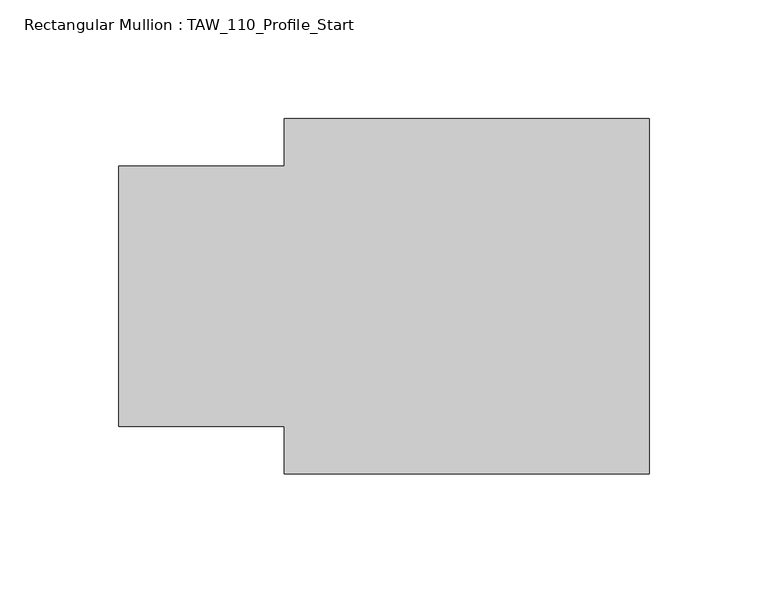
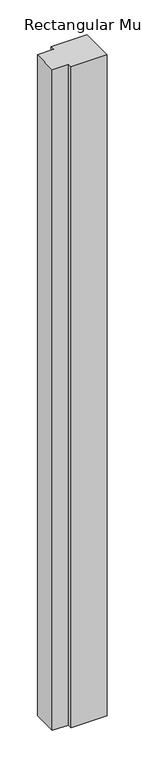
"""IFC4 building model written with IfcOpenShell, lengths in millimetres: member geometry, Rectangular Mullion : TAW_110_Profile_Start."""

from ifc_helpers import new_model, si_unit, frame, origin, place, context, project, spatial, polyline, outline, extrude, source, transform, mapped, element, save


def rectangular_mullion_taw_110_profile_start_530c5407(model_context):
    return source(origin(), model_context, "Body", "SweptSolid", [
        extrude(outline(polyline([(0.0, 75.0), (0.0, -75.0), (-154.0, -75.0), (-154.0, -55.0), (-223.8, -55.0), (-223.8, 55.0), (-154.0, 55.0), (-154.0, 75.0), (0.0, 75.0)])), frame((0.0, 0.0, -3000.0), z_axis=(0.0, 0.0, 1.0), x_axis=(1.0, 0.0, 0.0)), (0.0, 0.0, 1.0), 3000.0),
    ])


if __name__ == "__main__":
    model = new_model("IFC4")
    model_context = context("Model", 3, world=origin())
    ifc_project = project(units=[si_unit("LENGTHUNIT", "METRE", prefix="MILLI")], contexts=[model_context])
    site = spatial("IfcSite", under=ifc_project)
    building = spatial("IfcBuilding", under=site)
    placement = place(None, origin())
    rectangular_mullion_taw_110_profile_start_shape = rectangular_mullion_taw_110_profile_start_530c5407(model_context)
    element("IfcMember", 1, ObjectType="Rectangular Mullion : TAW_110_Profile_Start", at=placement, inside=building, context=model_context, shape_type="MappedRepresentation", body=[
        mapped(rectangular_mullion_taw_110_profile_start_shape, transform((0.0, 0.0, 0.0), x_axis=(1.0, 0.0, 0.0), y_axis=(0.0, 1.0, 0.0), z_axis=(0.0, 0.0, 1.0))),
    ])
    save(model, "model.ifc")
